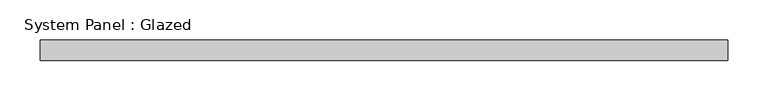
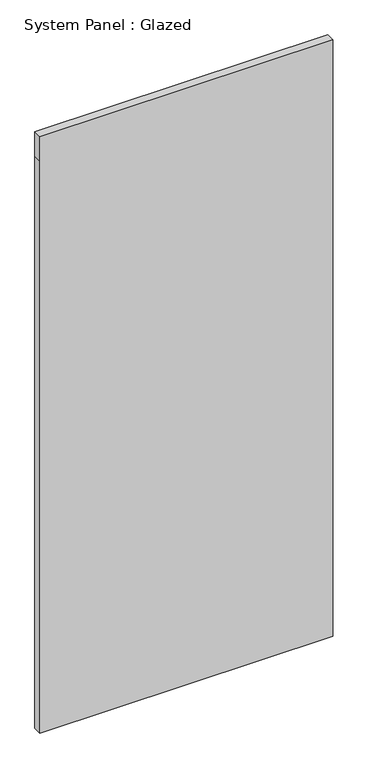
"""IFC4 building model written with IfcOpenShell, lengths in millimetres: plate geometry, System Panel : Glazed."""

from ifc_helpers import new_model, si_unit, frame, origin, place, context, project, spatial, polyline, outline, extrude, source, transform, mapped, element, save


def system_panel_glazed_e8158cb8(model_context):
    return source(origin(), model_context, "Body", "SweptSolid", [
        extrude(outline(polyline([(0.0, -425.0), (0.0, 425.0), (1753.3333333, 425.0), (1828.3333333, 425.0), (1828.3333333, -425.0), (1753.3333333, -425.0), (0.0, -425.0)])), frame((0.0, 24.5, 0.0), z_axis=(0.0, 1.0, 0.0), x_axis=(0.0, 0.0, 1.0)), (0.0, 0.0, 1.0), 25.0),
    ])


if __name__ == "__main__":
    model = new_model("IFC4")
    model_context = context("Model", 3, world=origin())
    ifc_project = project(units=[si_unit("LENGTHUNIT", "METRE", prefix="MILLI")], contexts=[model_context])
    site = spatial("IfcSite", under=ifc_project)
    building = spatial("IfcBuilding", under=site)
    placement = place(None, origin())
    system_panel_glazed_shape = system_panel_glazed_e8158cb8(model_context)
    element("IfcPlate", 1, ObjectType="System Panel : Glazed", at=placement, inside=building, context=model_context, shape_type="MappedRepresentation", body=[
        mapped(system_panel_glazed_shape, transform((0.0, 0.0, 0.0), x_axis=(1.0, 0.0, 0.0), y_axis=(0.0, 1.0, 0.0), z_axis=(0.0, 0.0, 1.0))),
    ])
    save(model, "model.ifc")
